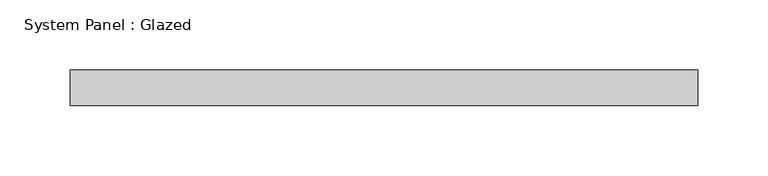
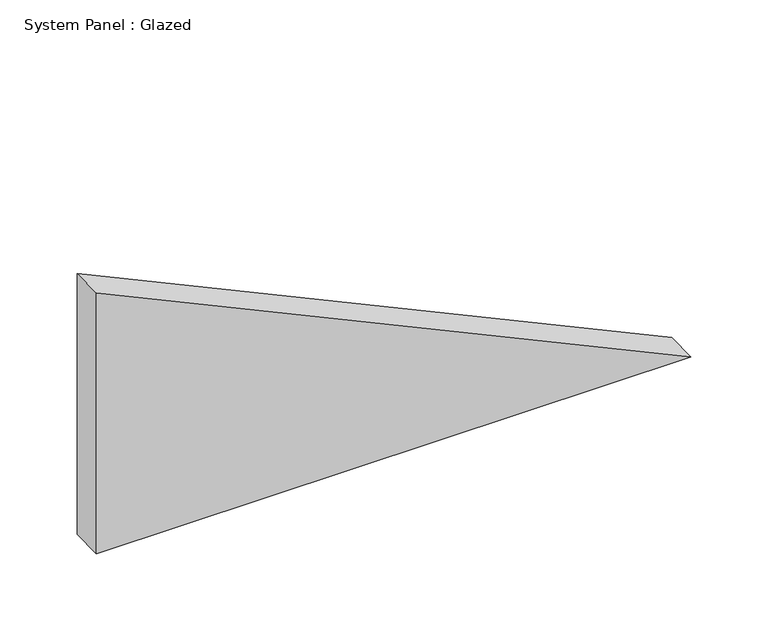
"""IFC4 building model written with IfcOpenShell, lengths in millimetres: plate geometry, System Panel : Glazed."""

from ifc_helpers import new_model, si_unit, frame, origin, place, context, project, spatial, polyline, outline, extrude, source, transform, mapped, element, save


def system_panel_glazed_4381fb1d(model_context):
    return source(origin(), model_context, "Body", "SweptSolid", [
        extrude(outline(polyline([(0.0, -222.7891237), (0.0, 222.7891237), (206.7038753, -222.7891237), (0.0, -222.7891237)])), frame((0.0, 52.5, 0.0), z_axis=(0.0, 1.0, 0.0), x_axis=(0.0, 0.0, 1.0)), (0.0, 0.0, 1.0), 25.0),
    ])


if __name__ == "__main__":
    model = new_model("IFC4")
    model_context = context("Model", 3, world=origin())
    ifc_project = project(units=[si_unit("LENGTHUNIT", "METRE", prefix="MILLI")], contexts=[model_context])
    site = spatial("IfcSite", under=ifc_project)
    building = spatial("IfcBuilding", under=site)
    placement = place(None, origin())
    system_panel_glazed_shape = system_panel_glazed_4381fb1d(model_context)
    element("IfcPlate", 1, ObjectType="System Panel : Glazed", at=placement, inside=building, context=model_context, shape_type="MappedRepresentation", body=[
        mapped(system_panel_glazed_shape, transform((0.0, 0.0, 0.0), x_axis=(1.0, 0.0, 0.0), y_axis=(0.0, 1.0, 0.0), z_axis=(0.0, 0.0, 1.0))),
    ])
    save(model, "model.ifc")
